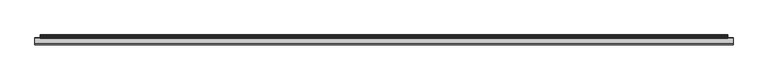
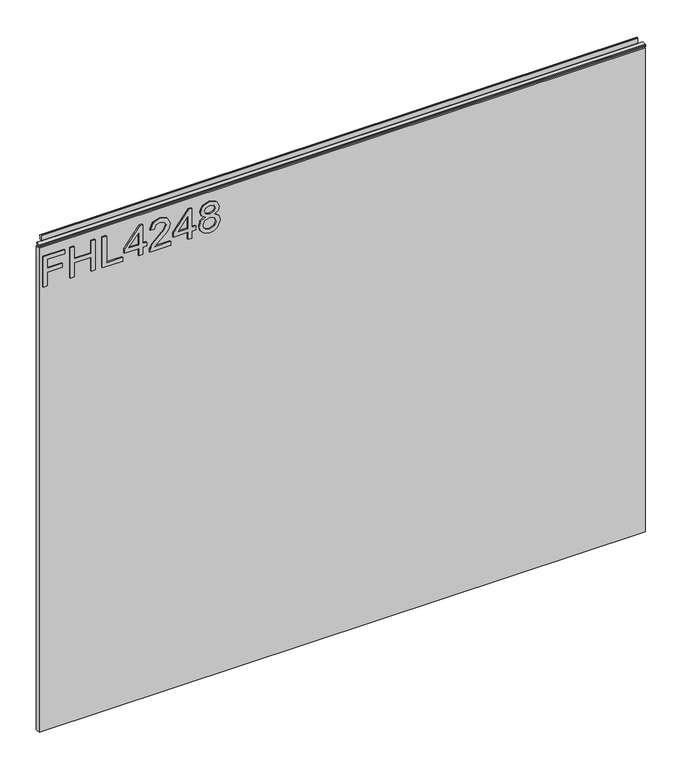
"""IFC4 building model written with IfcOpenShell, lengths in millimetres: furniture geometry."""

import ifcopenshell
import ifcopenshell.guid

model = None  # the IFC model being written
_history = None  # IfcOwnerHistory: only IFC2X3 demands one
_inside = {}  # id of a spatial element -> (the spatial element, [elements in it])
_under = {}  # id of a project, library or spatial element -> (it, [spatial elements below it])
_declared = {}  # id of a project -> (the project, [libraries it declares])
_typed = {}  # id of a type object -> (the type object, [elements of that type])
_made_of = {}  # id of a material, layer set ... -> (it, [elements and type objects made of it])


def new_model(schema):
    """Start an empty IFC model of exactly this schema.

    Asked for "IFC4X3", IfcOpenShell would pick the latest addendum, in which some entities
    have other attributes; the version numbers below select the first issue.
    IFC2X3 requires an IfcOwnerHistory on every rooted entity: one is made here for all.
    """
    global model, _history
    if schema == "IFC4X3":
        model = ifcopenshell.file(schema_version=(4, 3, 0, 0))
    else:
        model = ifcopenshell.file(schema=schema)
    _inside.clear()
    _under.clear()
    _declared.clear()
    _typed.clear()
    _made_of.clear()
    _history = None
    if model.schema == "IFC2X3":
        org = make("IfcOrganization", Name="unknown")
        user = make(
            "IfcPersonAndOrganization",
            ThePerson=make("IfcPerson", FamilyName="unknown"),
            TheOrganization=org,
        )
        app = make(
            "IfcApplication",
            ApplicationDeveloper=org,
            Version="unknown",
            ApplicationFullName="unknown",
            ApplicationIdentifier="unknown",
        )
        _history = make(
            "IfcOwnerHistory",
            OwningUser=user,
            OwningApplication=app,
            ChangeAction="ADDED",
            CreationDate=0,
        )
    return model


def make(cls, **values):
    """One entity of the class cls with the attributes given. An attribute that is None is left unset."""
    return model.create_entity(
        cls, **{name: value for name, value in values.items() if value is not None}
    )


def rooted(cls, **values):
    """An entity with a GlobalId (a new one), such as an element, a storey or a relation."""
    return make(cls, GlobalId=ifcopenshell.guid.new(), OwnerHistory=_history, **values)


def si_unit(unit_type, name, prefix=None):
    """IfcSIUnit, for example si_unit("LENGTHUNIT", "METRE", prefix="MILLI")."""
    return make("IfcSIUnit", UnitType=unit_type, Prefix=prefix, Name=name)


def assignment(units):
    """IfcUnitAssignment: the units of a project."""
    return None if units is None else make("IfcUnitAssignment", Units=units)


def point(xyz):
    """IfcCartesianPoint."""
    return None if xyz is None else make("IfcCartesianPoint", Coordinates=xyz)


def direction(xyz):
    """IfcDirection."""
    return None if xyz is None else make("IfcDirection", DirectionRatios=xyz)


def frame(location, z_axis=None, x_axis=None):
    """IfcAxis2Placement3D, a coordinate frame: its origin and axes. An axis left out is left unset."""
    return make(
        "IfcAxis2Placement3D",
        Location=point(location),
        Axis=direction(z_axis),
        RefDirection=direction(x_axis),
    )


def origin():
    """The frame at (0, 0, 0) with its axes left unset."""
    return frame((0.0, 0.0, 0.0))


def place(relative_to, where):
    """IfcLocalPlacement: puts the frame where relative to a parent placement (None: the world)."""
    return make(
        "IfcLocalPlacement", PlacementRelTo=relative_to, RelativePlacement=where
    )


def context(
    kind, dimensions, precision=None, world=None, true_north=None, identifier=None
):
    """IfcGeometricRepresentationContext, for example the 3D "Model" context."""
    return make(
        "IfcGeometricRepresentationContext",
        ContextIdentifier=identifier,
        ContextType=kind,
        CoordinateSpaceDimension=dimensions,
        Precision=precision,
        WorldCoordinateSystem=world,
        TrueNorth=true_north,
    )


def project(units=None, contexts=None):
    """IfcProject with its units and contexts."""
    return rooted(
        "IfcProject",
        Name="project",
        RepresentationContexts=contexts,
        UnitsInContext=assignment(units),
    )


def spatial(cls, under=None, at=None, **own):
    """A site, building, storey or space (cls), placed at a placement, below another one or the project."""
    s = rooted(cls, ObjectPlacement=at, **own)
    if under is not None:
        _under.setdefault(under.id(), (under, []))[1].append(s)
    return s


def polyline(points):
    """IfcPolyline through the points."""
    return make("IfcPolyline", Points=[point(p) for p in points])


def outline(outer, holes=None, kind="AREA"):
    """IfcArbitraryClosedProfileDef: a profile drawn as a closed curve; with holes, ...WithVoids."""
    if holes is None:
        return make("IfcArbitraryClosedProfileDef", ProfileType=kind, OuterCurve=outer)
    return make(
        "IfcArbitraryProfileDefWithVoids",
        ProfileType=kind,
        OuterCurve=outer,
        InnerCurves=holes,
    )


def extrude(swept, where, along, depth):
    """IfcExtrudedAreaSolid: the profile swept, set in the frame where, extruded along a direction by depth."""
    return make(
        "IfcExtrudedAreaSolid",
        SweptArea=swept,
        Position=where,
        ExtrudedDirection=direction(along),
        Depth=depth,
    )


def shape(context_of_items, identifier, shape_type, items):
    """IfcShapeRepresentation: the items that make up one representation, for example the "Body"."""
    return make(
        "IfcShapeRepresentation",
        ContextOfItems=context_of_items,
        RepresentationIdentifier=identifier,
        RepresentationType=shape_type,
        Items=items,
    )


def source(mapping_origin, context_of_items, identifier, shape_type, items):
    """IfcRepresentationMap: a shape defined once, which mapped items show again and again."""
    return make(
        "IfcRepresentationMap",
        MappingOrigin=mapping_origin,
        MappedRepresentation=shape(context_of_items, identifier, shape_type, items),
    )


def transform(
    local_origin,
    x_axis=None,
    y_axis=None,
    z_axis=None,
    scale=None,
    scale2=None,
    scale3=None,
    uniform=True,
):
    """IfcCartesianTransformationOperator3D, or its non-uniform kind. x_axis, y_axis, z_axis: its Axis1, 2, 3."""
    if uniform:
        return make(
            "IfcCartesianTransformationOperator3D",
            Axis1=direction(x_axis),
            Axis2=direction(y_axis),
            LocalOrigin=point(local_origin),
            Scale=scale,
            Axis3=direction(z_axis),
        )
    return make(
        "IfcCartesianTransformationOperator3DnonUniform",
        Axis1=direction(x_axis),
        Axis2=direction(y_axis),
        LocalOrigin=point(local_origin),
        Scale=scale,
        Axis3=direction(z_axis),
        Scale2=scale2,
        Scale3=scale3,
    )


def mapped(mapping_source, mapping_target):
    """IfcMappedItem: shows the shape of a source again, moved by a transform."""
    return make(
        "IfcMappedItem", MappingSource=mapping_source, MappingTarget=mapping_target
    )


def made_of(thing, what):
    """Note that an element or type object is made of a material, layer set ...; save() writes the relation."""
    if what is not None:
        _made_of.setdefault(what.id(), (what, []))[1].append(thing)
    return thing


def element(
    cls,
    number,
    at=None,
    inside=None,
    cuts=None,
    type_object=None,
    material=None,
    context=None,
    identifier="Body",
    shape_type=None,
    held_by="IfcProductDefinitionShape",
    body=None,
    shapes=None,
    **own,
):
    """One element of the class cls, such as IfcWall. Its Tag is "e" and its number.

    at: its placement. inside: the storey or other place that contains it. cuts: it is an
    opening in that element (IfcRelVoidsElement). A single representation is given by context,
    identifier, shape_type and body (its items); several are given by shapes. held_by: the class
    of the entity that holds the representations. save() writes the other relations.
    """
    e = rooted(cls, Tag="e%d" % number, ObjectPlacement=at, **own)
    if body is not None:
        shapes = [shape(context, identifier, shape_type, body)]
    if shapes is not None:
        e.Representation = make(held_by, Representations=shapes)
    if inside is not None:
        _inside.setdefault(inside.id(), (inside, []))[1].append(e)
    if cuts is not None:
        rooted(
            "IfcRelVoidsElement", RelatingBuildingElement=cuts, RelatedOpeningElement=e
        )
    if type_object is not None:
        _typed.setdefault(type_object.id(), (type_object, []))[1].append(e)
    return made_of(e, material)


def aggregate(whole, parts):
    """IfcRelAggregates: a whole, such as a stair, and the parts it consists of."""
    return rooted("IfcRelAggregates", RelatingObject=whole, RelatedObjects=parts)


def save(model, path):
    """Write the relations noted so far, then the file.

    IfcRelAggregates (storeys below a building ...), IfcRelContainedInSpatialStructure (elements
    in a storey), IfcRelDefinesByType, IfcRelAssociatesMaterial and IfcRelDeclares: one each for
    every whole, place, type object, material and project.
    """
    for whole, parts in _under.values():
        aggregate(whole, parts)
    for where, things in _inside.values():
        rooted(
            "IfcRelContainedInSpatialStructure",
            RelatedElements=things,
            RelatingStructure=where,
        )
    for kind, things in _typed.values():
        rooted("IfcRelDefinesByType", RelatedObjects=things, RelatingType=kind)
    for what, things in _made_of.values():
        rooted("IfcRelAssociatesMaterial", RelatedObjects=things, RelatingMaterial=what)
    for by, libraries in _declared.values():
        rooted("IfcRelDeclares", RelatingContext=by, RelatedDefinitions=libraries)
    model.write(path)


def furniture_806da236(model_context):
    return source(origin(), model_context, "Body", "SweptSolid", [
        extrude(outline(polyline([(951.4078, -291.2107253), (951.4078, -283.2370057), (980.3125336, -283.2370057), (980.3125336, -253.3355571), (988.2862532, -253.3355571), (988.2862532, -283.2370057), (1007.2238373, -283.2370057), (1007.2238373, -248.3519823), (1015.1975569, -248.3519823), (1015.1975569, -291.2107253), (951.4078, -291.2107253)])), frame((0.0, -5.4842478, 0.0), z_axis=(0.0, 1.0, 0.0), x_axis=(0.0, 0.0, 1.0)), (0.0, 0.0, 1.0), 2.38125),
        extrude(outline(polyline([(951.4078, -237.3881179), (951.4078, -229.4143982), (981.3092486, -229.4143982), (981.3092486, -195.5260899), (951.4078, -195.5260899), (951.4078, -187.5523702), (1015.1975569, -187.5523702), (1015.1975569, -195.5260899), (989.2829682, -195.5260899), (989.2829682, -229.4143982), (1015.1975569, -229.4143982), (1015.1975569, -237.3881179), (951.4078, -237.3881179)])), frame((0.0, -5.4842478, 0.0), z_axis=(0.0, 1.0, 0.0), x_axis=(0.0, 0.0, 1.0)), (0.0, 0.0, 1.0), 2.38125),
        extrude(outline(polyline([(951.4078, -173.5983609), (951.4078, -133.7297628), (959.3815196, -133.7297628), (959.3815196, -165.6246413), (1015.1975569, -165.6246413), (1015.1975569, -173.5983609), (951.4078, -173.5983609)])), frame((0.0, -5.4842478, 0.0), z_axis=(0.0, 1.0, 0.0), x_axis=(0.0, 0.0, 1.0)), (0.0, 0.0, 1.0), 2.38125),
        extrude(outline(polyline([(951.4078, -101.8348843), (951.4078, -93.8611647), (966.3585243, -93.8611647), (966.3585243, -85.8874451), (974.3322439, -85.8874451), (974.3322439, -93.8611647), (1014.200842, -93.8611647), (1014.200842, -99.8414544), (974.3322439, -130.739618), (966.3585243, -130.739618), (966.3585243, -101.8348843), (951.4078, -101.8348843)]), holes=[polyline([(974.3322439, -101.8348843), (974.3322439, -120.9282051), (998.9697916, -101.8348843), (974.3322439, -101.8348843)])]), frame((0.0, -5.4842478, 0.0), z_axis=(0.0, 1.0, 0.0), x_axis=(0.0, 0.0, 1.0)), (0.0, 0.0, 1.0), 2.38125),
        extrude(outline(polyline([(959.3815196, -38.0451274), (959.3815196, -69.36378), (963.4384609, -65.766262), (971.108494, -56.5933697), (982.0334243, -45.1700819), (989.8514072, -40.4590464), (997.4124245, -39.0418423), (1010.0893928, -44.2979564), (1015.1975569, -58.5712259), (1010.603324, -72.7977745), (997.2566878, -78.9104404), (996.2599729, -70.9367208), (1004.3115608, -67.5805947), (1007.2238373, -58.7425363), (1004.2414793, -50.2626724), (996.9296407, -47.015562), (987.8969115, -50.4573433), (974.61257, -64.2244686), (965.3695962, -74.2071918), (956.9053059, -79.0506035), (951.4078, -79.9071554), (951.4078, -38.0451274), (959.3815196, -38.0451274)])), frame((0.0, -5.4842478, 0.0), z_axis=(0.0, 1.0, 0.0), x_axis=(0.0, 0.0, 1.0)), (0.0, 0.0, 1.0), 2.38125),
        extrude(outline(polyline([(951.4078, -4.156819), (951.4078, 3.8169006), (966.3585243, 3.8169006), (966.3585243, 11.7906202), (974.3322439, 11.7906202), (974.3322439, 3.8169006), (1014.200842, 3.8169006), (1014.200842, -2.1633891), (974.3322439, -33.0615526), (966.3585243, -33.0615526), (966.3585243, -4.156819), (951.4078, -4.156819)]), holes=[polyline([(974.3322439, -4.156819), (974.3322439, -23.2501398), (998.9697916, -4.156819), (974.3322439, -4.156819)])]), frame((0.0, -5.4842478, 0.0), z_axis=(0.0, 1.0, 0.0), x_axis=(0.0, 0.0, 1.0)), (0.0, 0.0, 1.0), 2.38125),
        extrude(outline(polyline([(986.5420021, 30.3855835), (980.7485964, 21.7889171), (970.1896474, 18.7676249), (962.4320125, 20.2081895), (956.0721145, 24.5298832), (951.8263424, 31.2032013), (950.411085, 39.6986389), (951.8205023, 48.1940765), (956.048754, 54.8673946), (969.971616, 60.6296529), (980.2891731, 57.7251632), (986.5420021, 49.2452993), (991.471069, 56.3079591), (998.9853653, 58.636223), (1010.4787346, 53.4034695), (1015.1975569, 39.5896232), (1010.5877503, 25.9003663), (999.2033967, 20.7610548), (991.4944295, 23.120466), (986.5420021, 30.3855835)]), holes=[polyline([(970.4699735, 26.7413445), (978.9264769, 30.1130443), (982.3059635, 39.4961812), (978.8797559, 49.1518573), (970.2207947, 52.6559333), (961.7253571, 49.260873), (958.3848047, 39.7609336), (959.9733191, 32.7839289), (964.4663232, 28.0728934), (970.4699735, 26.7413445)]), polyline([(998.9697916, 28.7347744), (1004.7943446, 31.6081167), (1007.2238373, 39.6986389), (1004.7398368, 47.7658005), (998.6115972, 50.6625034), (992.6936022, 47.8592426), (990.2796831, 39.7920809), (992.7091758, 31.5613957), (998.9697916, 28.7347744)])]), frame((0.0, -5.4842478, 0.0), z_axis=(0.0, 1.0, 0.0), x_axis=(0.0, 0.0, 1.0)), (0.0, 0.0, 1.0), 2.38125),
        extrude(outline(polyline([(5.5562561, 1041.4), (6.3500061, 1041.4), (6.3500061, 1051.27425), (7.1437561, 1052.068), (8.6677569, 1052.068), (10.0084363, 1051.6506926), (10.875413, 1050.5461816), (10.9623604, 1049.1447591), (10.2390011, 1046.1863459), (10.4046103, 1044.9833307), (11.6746103, 1042.7836103), (10.7786383, 1042.2663244), (7.1437561, 1042.2663244), (7.1437561, 1041.4), (6.3500061, 1041.1669239), (6.3500061, 1033.9578), (5.5562561, 1033.9578), (5.5562561, 1041.4)])), frame((-288.671, 0.0, 0.0), z_axis=(1.0, 0.0, 0.0), x_axis=(0.0, 1.0, 0.0)), (0.0, 0.0, 1.0), 1186.942),
        extrude(outline(polyline([(5.5562561, 1041.4), (5.5562561, 1038.2249996), (-3.975094, 1038.2249996), (-5.3492339, 1039.0183657), (-5.3492339, 1040.6066395), (-3.9751037, 1041.4), (5.5562561, 1041.4)])), frame((-298.196, 0.0, 0.0), z_axis=(1.0, 0.0, 0.0), x_axis=(0.0, 1.0, 0.0)), (0.0, 0.0, 1.0), 1205.992),
        extrude(outline(polyline([(907.796, 6.3500061), (907.796, -3.1749939), (-298.196, -3.1749939), (-298.196, 6.3500061), (907.796, 6.3500061)])), frame((0.0, 0.0, 15.79626), z_axis=(0.0, 0.0, 1.0), x_axis=(1.0, 0.0, 0.0)), (0.0, 0.0, 1.0), 1018.16154),
    ])


if __name__ == "__main__":
    model = new_model("IFC4")
    model_context = context("Model", 3, world=origin())
    ifc_project = project(units=[si_unit("LENGTHUNIT", "METRE", prefix="MILLI")], contexts=[model_context])
    site = spatial("IfcSite", under=ifc_project)
    building = spatial("IfcBuilding", under=site)
    placement = place(None, origin())
    furniture_shape = furniture_806da236(model_context)
    element("IfcFurniture", 1, at=placement, inside=building, context=model_context, shape_type="MappedRepresentation", body=[
        mapped(furniture_shape, transform((0.0, 0.0, 0.0), x_axis=(1.0, 0.0, 0.0), y_axis=(0.0, 1.0, 0.0), z_axis=(0.0, 0.0, 1.0))),
    ])
    save(model, "model.ifc")
